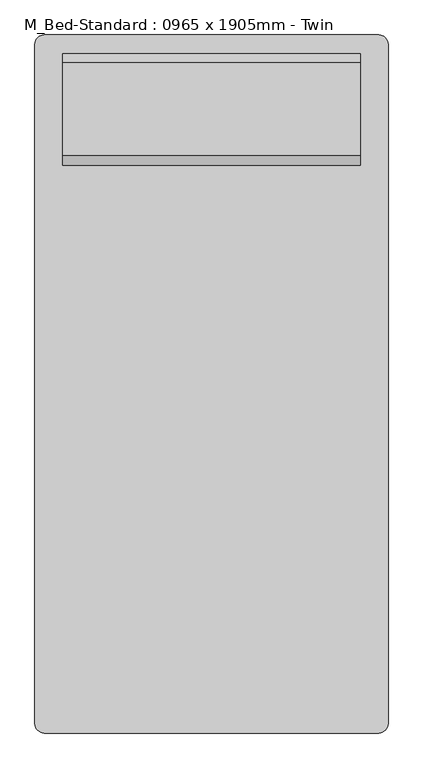
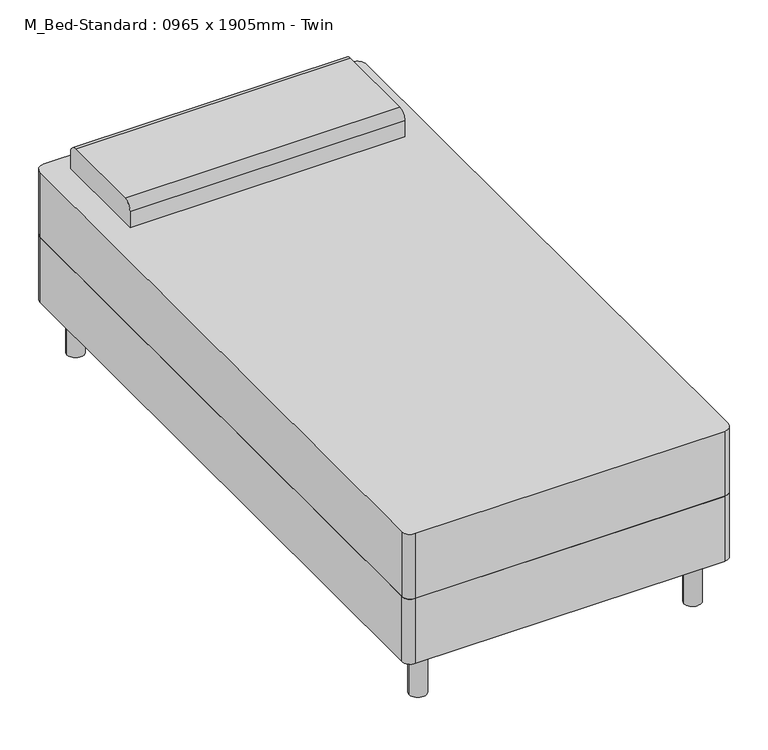
"""IFC4 building model written with IfcOpenShell, lengths in millimetres: furniture geometry, M_Bed-Standard : 0965 x 1905mm - Twin."""

from ifc_helpers import new_model, si_unit, point, frame, frame_2d, origin, origin_with_axes, place, context, project, spatial, polyline, circle_curve, trimmed, segment, composite_curve, outline, extrude, source, transform, mapped, element, save


def m_bed_standard_0965_x_1905mm_twin_fc46863d(model_context):
    return source(origin(), model_context, "Body", "SweptSolid", [
        extrude(outline(composite_curve([segment(polyline([(-211.0114754, -972.695082), (-211.0114754, 881.504918)]), True, "CONTINUOUS"), segment(trimmed(circle_curve(frame_2d((-185.6114754, 881.504918)), 25.4), [point((-211.0114754, 881.504918))], [point((-185.6114754, 906.904918))], False, "CARTESIAN"), True, "CONTINUOUS"), segment(polyline([(-185.6114754, 906.904918), (728.5885246, 906.904918)]), True, "CONTINUOUS"), segment(trimmed(circle_curve(frame_2d((728.5885246, 881.504918)), 25.4), [point((728.5885246, 906.904918))], [point((753.9885246, 881.504918))], False, "CARTESIAN"), True, "CONTINUOUS"), segment(polyline([(753.9885246, 881.504918), (753.9885246, -972.695082)]), True, "CONTINUOUS"), segment(trimmed(circle_curve(frame_2d((728.5885246, -972.695082)), 25.4), [point((753.9885246, -972.695082))], [point((728.5885246, -998.095082))], False, "CARTESIAN"), True, "CONTINUOUS"), segment(polyline([(728.5885246, -998.095082), (-185.6114754, -998.095082)]), True, "CONTINUOUS"), segment(trimmed(circle_curve(frame_2d((-185.6114754, -972.695082)), 25.4), [point((-185.6114754, -998.095082))], [point((-211.0114754, -972.695082))], False, "CARTESIAN"), True, "CONTINUOUS")], self_intersect=False)), frame((0.0, 0.0, 152.4), z_axis=(0.0, 0.0, 1.0), x_axis=(1.0, 0.0, 0.0)), (0.0, 0.0, 1.0), 203.2),
        extrude(outline(composite_curve([segment(polyline([(551.304918, 558.8), (551.304918, 609.6)]), True, "CONTINUOUS"), segment(trimmed(circle_curve(frame_2d((576.704918, 609.6)), 25.4), [point((551.304918, 609.6))], [point((576.704918, 635.0))], False, "CARTESIAN"), True, "CONTINUOUS"), segment(polyline([(576.704918, 635.0), (830.704918, 635.0)]), True, "CONTINUOUS"), segment(trimmed(circle_curve(frame_2d((830.704918, 609.6)), 25.4), [point((830.704918, 635.0))], [point((856.104918, 609.6))], False, "CARTESIAN"), True, "CONTINUOUS"), segment(polyline([(856.104918, 609.6), (856.104918, 558.8), (551.304918, 558.8)]), True, "CONTINUOUS")], self_intersect=False)), frame((-134.8114754, 0.0, 0.0), z_axis=(1.0, 0.0, 0.0), x_axis=(0.0, 1.0, 0.0)), (0.0, 0.0, 1.0), 812.6),
        extrude(outline(composite_curve([segment(trimmed(circle_curve(frame_2d((-134.8114754, 830.704918)), 25.4), [point((-160.2114754, 830.704918))], [point((-109.4114754, 830.704918))], False, "CARTESIAN"), True, "CONTINUOUS"), segment(trimmed(circle_curve(frame_2d((-134.8114754, 830.704918)), 25.4), [point((-109.4114754, 830.704918))], [point((-160.2114754, 830.704918))], False, "CARTESIAN"), True, "CONTINUOUS")], self_intersect=False)), origin_with_axes(), (0.0, 0.0, 1.0), 152.4),
        extrude(outline(composite_curve([segment(trimmed(circle_curve(frame_2d((677.7885246, 830.704918)), 25.4), [point((652.3885246, 830.704918))], [point((703.1885246, 830.704918))], False, "CARTESIAN"), True, "CONTINUOUS"), segment(trimmed(circle_curve(frame_2d((677.7885246, 830.704918)), 25.4), [point((703.1885246, 830.704918))], [point((652.3885246, 830.704918))], False, "CARTESIAN"), True, "CONTINUOUS")], self_intersect=False)), origin_with_axes(), (0.0, 0.0, 1.0), 152.4),
        extrude(outline(composite_curve([segment(trimmed(circle_curve(frame_2d((677.7885246, -921.895082)), 25.4), [point((652.3885246, -921.895082))], [point((703.1885246, -921.895082))], False, "CARTESIAN"), True, "CONTINUOUS"), segment(trimmed(circle_curve(frame_2d((677.7885246, -921.895082)), 25.4), [point((703.1885246, -921.895082))], [point((652.3885246, -921.895082))], False, "CARTESIAN"), True, "CONTINUOUS")], self_intersect=False)), origin_with_axes(), (0.0, 0.0, 1.0), 152.4),
        extrude(outline(composite_curve([segment(trimmed(circle_curve(frame_2d((-134.8114754, -921.895082)), 25.4), [point((-160.2114754, -921.895082))], [point((-109.4114754, -921.895082))], False, "CARTESIAN"), True, "CONTINUOUS"), segment(trimmed(circle_curve(frame_2d((-134.8114754, -921.895082)), 25.4), [point((-109.4114754, -921.895082))], [point((-160.2114754, -921.895082))], False, "CARTESIAN"), True, "CONTINUOUS")], self_intersect=False)), origin_with_axes(), (0.0, 0.0, 1.0), 152.4),
        extrude(outline(composite_curve([segment(polyline([(-185.6114754, 906.904918), (728.5885246, 906.904918)]), True, "CONTINUOUS"), segment(trimmed(circle_curve(frame_2d((728.5885246, 881.504918)), 25.4), [point((728.5885246, 906.904918))], [point((753.9885246, 881.504918))], False, "CARTESIAN"), True, "CONTINUOUS"), segment(polyline([(753.9885246, 881.504918), (753.9885246, -972.695082)]), True, "CONTINUOUS"), segment(trimmed(circle_curve(frame_2d((728.5885246, -972.695082)), 25.4), [point((753.9885246, -972.695082))], [point((728.5885246, -998.095082))], False, "CARTESIAN"), True, "CONTINUOUS"), segment(polyline([(728.5885246, -998.095082), (-185.6114754, -998.095082)]), True, "CONTINUOUS"), segment(trimmed(circle_curve(frame_2d((-185.6114754, -972.695082)), 25.4), [point((-185.6114754, -998.095082))], [point((-211.0114754, -972.695082))], False, "CARTESIAN"), True, "CONTINUOUS"), segment(polyline([(-211.0114754, -972.695082), (-211.0114754, 881.504918)]), True, "CONTINUOUS"), segment(trimmed(circle_curve(frame_2d((-185.6114754, 881.504918)), 25.4), [point((-211.0114754, 881.504918))], [point((-185.6114754, 906.904918))], False, "CARTESIAN"), True, "CONTINUOUS")], self_intersect=False)), frame((0.0, 0.0, 355.6), z_axis=(0.0, 0.0, 1.0), x_axis=(1.0, 0.0, 0.0)), (0.0, 0.0, 1.0), 203.2),
    ])


if __name__ == "__main__":
    model = new_model("IFC4")
    model_context = context("Model", 3, world=origin())
    ifc_project = project(units=[si_unit("LENGTHUNIT", "METRE", prefix="MILLI")], contexts=[model_context])
    site = spatial("IfcSite", under=ifc_project)
    building = spatial("IfcBuilding", under=site)
    placement = place(None, origin())
    m_bed_standard_0965_x_1905mm_twin_shape = m_bed_standard_0965_x_1905mm_twin_fc46863d(model_context)
    element("IfcFurniture", 1, ObjectType="M_Bed-Standard : 0965 x 1905mm - Twin", at=placement, inside=building, context=model_context, shape_type="MappedRepresentation", body=[
        mapped(m_bed_standard_0965_x_1905mm_twin_shape, transform((0.0, 0.0, 0.0), x_axis=(1.0, 0.0, 0.0), y_axis=(0.0, 1.0, 0.0), z_axis=(0.0, 0.0, 1.0))),
    ])
    save(model, "model.ifc")
